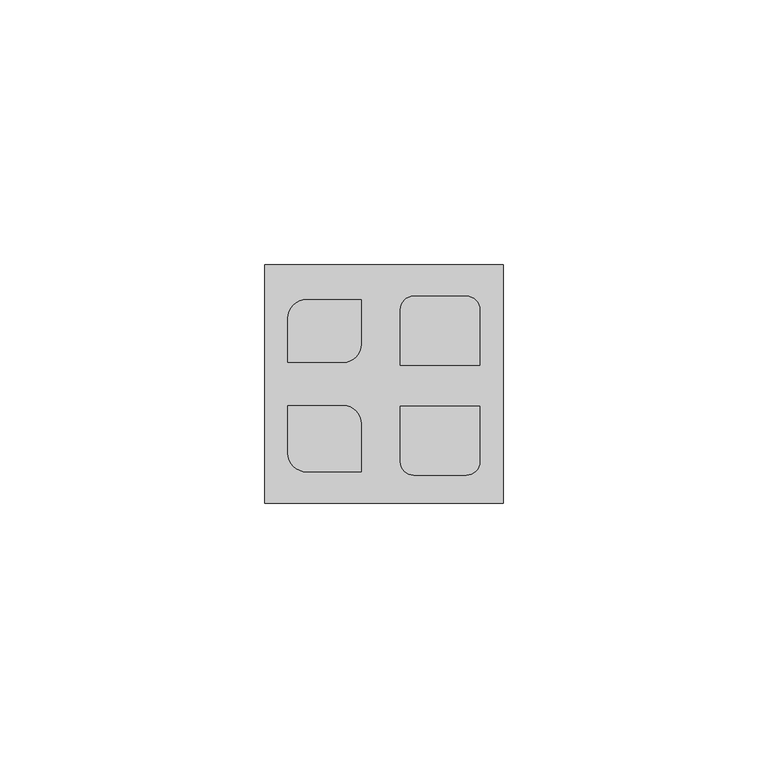
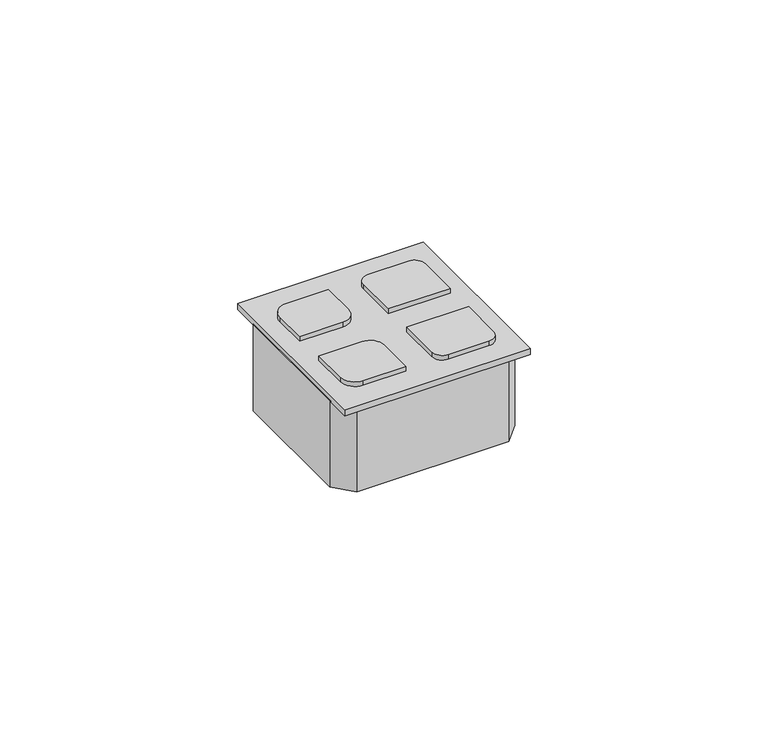
"""IFC4 building model written with IfcOpenShell, lengths in millimetres: proxy geometry."""

from ifc_helpers import new_model, si_unit, point, frame, frame_2d, origin, origin_with_axes, place, context, project, spatial, polyline, circle_curve, trimmed, segment, composite_curve, outline, extrude, source, transform, mapped, element, save


def electrical_fixtures_db817f27(model_context):
    return source(origin(), model_context, "Body", "SweptSolid", [
        extrude(outline(composite_curve([segment(polyline([(40.5929874, 26.0761811), (25.5929874, 26.0761811), (25.5929874, 36.5145366)]), True, "CONTINUOUS"), segment(trimmed(circle_curve(frame_2d((28.1528636, 36.5145366)), 2.5598761), [point((25.5929874, 36.5145366))], [point((28.1528636, 39.0744127))], False, "CARTESIAN"), True, "CONTINUOUS"), segment(polyline([(28.1528636, 39.0744127), (38.0331113, 39.0744127)]), True, "CONTINUOUS"), segment(trimmed(circle_curve(frame_2d((38.0331113, 36.5145366)), 2.5598761), [point((38.0331113, 39.0744127))], [point((40.5929874, 36.5145366))], False, "CARTESIAN"), True, "CONTINUOUS"), segment(polyline([(40.5929874, 36.5145366), (40.5929874, 26.0761811)]), True, "CONTINUOUS")], self_intersect=False)), frame((0.0, 0.0, 1.5), z_axis=(0.0, 0.0, 1.0), x_axis=(1.0, 0.0, 0.0)), (0.0, 0.0, 1.0), 1.1969672),
        extrude(outline(composite_curve([segment(polyline([(40.5929874, 18.2708137), (40.5929874, 7.8324583)]), True, "CONTINUOUS"), segment(trimmed(circle_curve(frame_2d((38.0331113, 7.8324583)), 2.5598761), [point((40.5929874, 7.8324583))], [point((38.0331113, 5.2725821))], False, "CARTESIAN"), True, "CONTINUOUS"), segment(polyline([(38.0331113, 5.2725821), (28.1528636, 5.2725821)]), True, "CONTINUOUS"), segment(trimmed(circle_curve(frame_2d((28.1528636, 7.8324583)), 2.5598761), [point((28.1528636, 5.2725821))], [point((25.5929874, 7.8324583))], False, "CARTESIAN"), True, "CONTINUOUS"), segment(polyline([(25.5929874, 7.8324583), (25.5929874, 18.2708137), (40.5929874, 18.2708137)]), True, "CONTINUOUS")], self_intersect=False)), frame((0.0, 0.0, 1.5), z_axis=(0.0, 0.0, 1.0), x_axis=(1.0, 0.0, 0.0)), (0.0, 0.0, 1.0), 1.1969672),
        extrude(outline(composite_curve([segment(polyline([(7.9180831, 38.4494127), (18.1988144, 38.4494127), (18.1988144, 29.969017)]), True, "CONTINUOUS"), segment(trimmed(circle_curve(frame_2d((14.8156603, 29.969017)), 3.383154), [point((18.1988144, 29.969017))], [point((14.8156603, 26.585863))], False, "CARTESIAN"), True, "CONTINUOUS"), segment(polyline([(14.8156603, 26.585863), (4.3586387, 26.585863), (4.3586387, 34.8899683)]), True, "CONTINUOUS"), segment(trimmed(circle_curve(frame_2d((7.9180831, 34.8899683)), 3.5594444), [point((4.3586387, 34.8899683))], [point((7.9180831, 38.4494127))], False, "CARTESIAN"), True, "CONTINUOUS")], self_intersect=False)), frame((0.0, 0.0, 1.5), z_axis=(0.0, 0.0, 1.0), x_axis=(1.0, 0.0, 0.0)), (0.0, 0.0, 1.0), 1.1969672),
        extrude(outline(composite_curve([segment(trimmed(circle_curve(frame_2d((7.9180831, 9.4570265)), 3.5594444), [point((7.9180831, 5.8975821))], [point((4.3586387, 9.4570265))], False, "CARTESIAN"), True, "CONTINUOUS"), segment(polyline([(4.3586387, 9.4570265), (4.3586387, 18.414137), (14.8156603, 18.414137)]), True, "CONTINUOUS"), segment(trimmed(circle_curve(frame_2d((14.8156603, 15.030983)), 3.383154), [point((14.8156603, 18.414137))], [point((18.1988144, 15.030983))], False, "CARTESIAN"), True, "CONTINUOUS"), segment(polyline([(18.1988144, 15.030983), (18.1988144, 5.8975821), (7.9180831, 5.8975821)]), True, "CONTINUOUS")], self_intersect=False)), frame((0.0, 0.0, 1.5), z_axis=(0.0, 0.0, 1.0), x_axis=(1.0, 0.0, 0.0)), (0.0, 0.0, 1.0), 1.1969672),
        extrude(outline(polyline([(40.9470004, 42.986037), (45.0, 38.5762696), (45.0, 6.4237304), (40.9470004, 2.013963), (4.0529996, 2.013963), (0.0, 6.4237304), (0.0, 38.5762696), (4.0529996, 42.986037), (40.9470004, 42.986037)])), frame((0.0, 0.0, -22.1611459), z_axis=(0.0, 0.0, 1.0), x_axis=(1.0, 0.0, 0.0)), (0.0, 0.0, 1.0), 22.1611459),
        extrude(outline(polyline([(0.0, 45.0), (45.0, 45.0), (45.0, 0.0), (0.0, 0.0), (0.0, 45.0)])), origin_with_axes(), (0.0, 0.0, 1.0), 1.5),
    ])


if __name__ == "__main__":
    model = new_model("IFC4")
    model_context = context("Model", 3, world=origin())
    ifc_project = project(units=[si_unit("LENGTHUNIT", "METRE", prefix="MILLI")], contexts=[model_context])
    site = spatial("IfcSite", under=ifc_project)
    building = spatial("IfcBuilding", under=site)
    placement = place(None, origin())
    electrical_fixtures_shape = electrical_fixtures_db817f27(model_context)
    element("IfcBuildingElementProxy", 1, Name="Electrical Fixtures", at=placement, inside=building, context=model_context, shape_type="MappedRepresentation", body=[
        mapped(electrical_fixtures_shape, transform((0.0, 0.0, 0.0), x_axis=(1.0, 0.0, 0.0), y_axis=(0.0, 1.0, 0.0), z_axis=(0.0, 0.0, 1.0))),
    ])
    save(model, "model.ifc")
